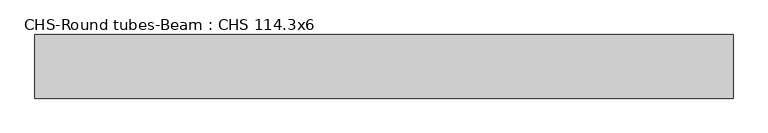
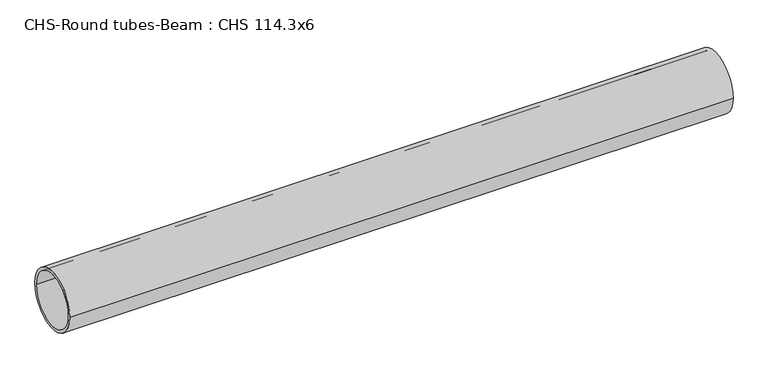
"""IFC4 building model written with IfcOpenShell, lengths in millimetres: beam geometry, CHS-Round tubes-Beam : CHS 114.3x6."""

from ifc_helpers import new_model, si_unit, point, frame, origin, origin_2d, place, context, project, spatial, circle_curve, trimmed, segment, composite_curve, outline, extrude, source, transform, mapped, element, save


def chs_round_tubes_beam_chs_114_3x6_f417cf28(model_context):
    return source(origin(), model_context, "Body", "SweptSolid", [
        extrude(outline(composite_curve([segment(trimmed(circle_curve(origin_2d(), 57.15), [point((57.15, 0.0))], [point((-57.15, 0.0))], False, "CARTESIAN"), True, "CONTINUOUS"), segment(trimmed(circle_curve(origin_2d(), 57.15), [point((-57.15, 0.0))], [point((57.15, 0.0))], False, "CARTESIAN"), True, "CONTINUOUS")], self_intersect=False), holes=[composite_curve([segment(trimmed(circle_curve(origin_2d(), 51.15), [point((51.15, 0.0))], [point((-51.15, 0.0))], True, "CARTESIAN"), True, "CONTINUOUS"), segment(trimmed(circle_curve(origin_2d(), 51.15), [point((-51.15, 0.0))], [point((51.15, 0.0))], True, "CARTESIAN"), True, "CONTINUOUS")], self_intersect=False)]), frame((-627.2990442, 0.0, 0.0), z_axis=(1.0, 0.0, 0.0), x_axis=(0.0, 1.0, 0.0)), (0.0, 0.0, 1.0), 1254.5989109),
    ])


if __name__ == "__main__":
    model = new_model("IFC4")
    model_context = context("Model", 3, world=origin())
    ifc_project = project(units=[si_unit("LENGTHUNIT", "METRE", prefix="MILLI")], contexts=[model_context])
    site = spatial("IfcSite", under=ifc_project)
    building = spatial("IfcBuilding", under=site)
    placement = place(None, origin())
    chs_round_tubes_beam_chs_114_3x6_shape = chs_round_tubes_beam_chs_114_3x6_f417cf28(model_context)
    element("IfcBeam", 1, ObjectType="CHS-Round tubes-Beam : CHS 114.3x6", at=placement, inside=building, context=model_context, shape_type="MappedRepresentation", body=[
        mapped(chs_round_tubes_beam_chs_114_3x6_shape, transform((0.0, 0.0, 0.0), x_axis=(1.0, 0.0, 0.0), y_axis=(0.0, 1.0, 0.0), z_axis=(0.0, 0.0, 1.0))),
    ])
    save(model, "model.ifc")
